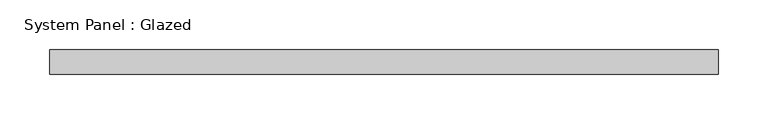
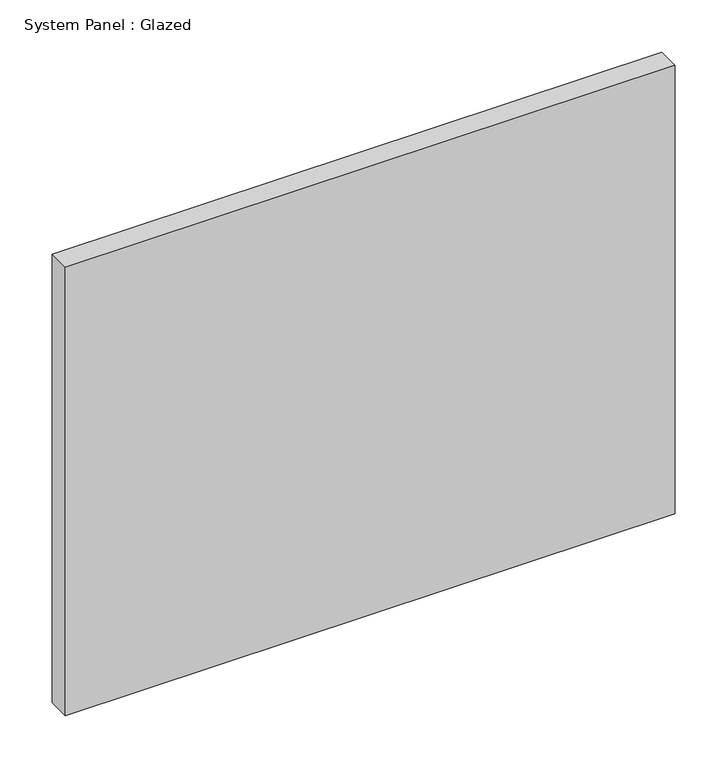
"""IFC4 building model written with IfcOpenShell, lengths in millimetres: plate geometry, System Panel : Glazed."""

from ifc_helpers import new_model, si_unit, origin, origin_with_axes, place, context, project, spatial, polyline, outline, extrude, source, transform, mapped, element, save


def system_panel_glazed_c9e7bda0(model_context):
    return source(origin(), model_context, "Body", "SweptSolid", [
        extrude(outline(polyline([(337.5, -49.5), (-337.5, -49.5), (-337.5, -24.5), (337.5, -24.5), (337.5, -49.5)])), origin_with_axes(), (0.0, 0.0, 1.0), 525.0),
    ])


if __name__ == "__main__":
    model = new_model("IFC4")
    model_context = context("Model", 3, world=origin())
    ifc_project = project(units=[si_unit("LENGTHUNIT", "METRE", prefix="MILLI")], contexts=[model_context])
    site = spatial("IfcSite", under=ifc_project)
    building = spatial("IfcBuilding", under=site)
    placement = place(None, origin())
    system_panel_glazed_shape = system_panel_glazed_c9e7bda0(model_context)
    element("IfcPlate", 1, ObjectType="System Panel : Glazed", at=placement, inside=building, context=model_context, shape_type="MappedRepresentation", body=[
        mapped(system_panel_glazed_shape, transform((0.0, 0.0, 0.0), x_axis=(1.0, 0.0, 0.0), y_axis=(0.0, 1.0, 0.0), z_axis=(0.0, 0.0, 1.0))),
    ])
    save(model, "model.ifc")
